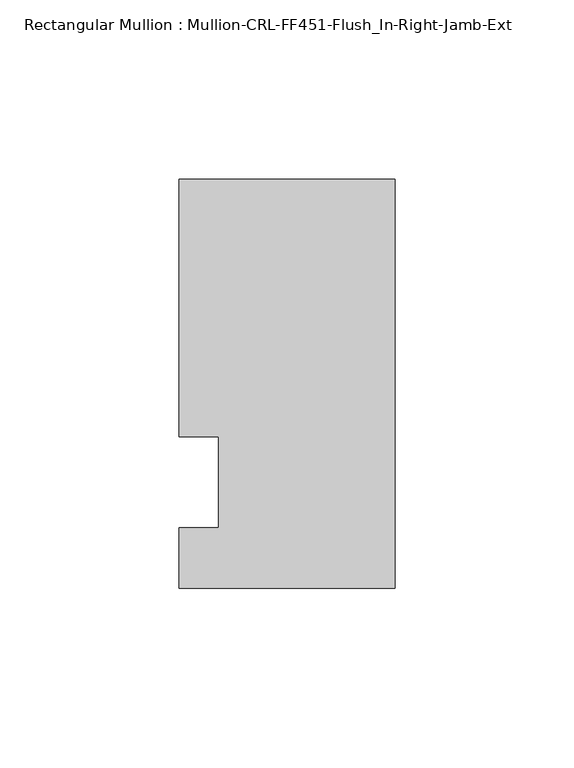
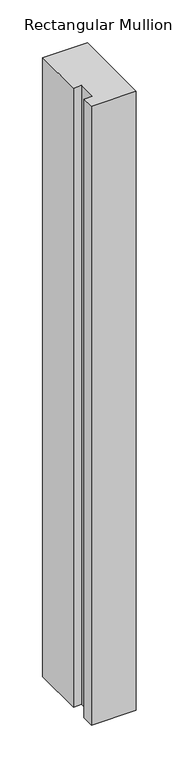
"""IFC4 building model written with IfcOpenShell, lengths in millimetres: member geometry, Rectangular Mullion : Mullion-CRL-FF451-Flush_In-Right-Jamb-Ext."""

from ifc_helpers import new_model, si_unit, frame, origin, place, context, project, spatial, polyline, outline, extrude, source, transform, mapped, element, save


def rectangular_mullion_mullion_crl_ff451_flush_in_right_jamb_2341be22(model_context):
    return source(origin(), model_context, "Body", "SweptSolid", [
        extrude(outline(polyline([(-60.362207, 84.6545868), (0.0, 84.6545868), (0.0, -29.6454132), (-60.362207, -29.6454132), (-60.362207, -12.7), (-49.222241, -12.7), (-49.222241, 12.7), (-60.362207, 12.7), (-60.362207, 84.6545868)])), frame((0.0, 0.0, -882.65), z_axis=(0.0, 0.0, 1.0), x_axis=(1.0, 0.0, 0.0)), (0.0, 0.0, 1.0), 882.65),
    ])


if __name__ == "__main__":
    model = new_model("IFC4")
    model_context = context("Model", 3, world=origin())
    ifc_project = project(units=[si_unit("LENGTHUNIT", "METRE", prefix="MILLI")], contexts=[model_context])
    site = spatial("IfcSite", under=ifc_project)
    building = spatial("IfcBuilding", under=site)
    placement = place(None, origin())
    rectangular_mullion_mullion_crl_ff451_flush_in_right_jamb_shape = rectangular_mullion_mullion_crl_ff451_flush_in_right_jamb_2341be22(model_context)
    element("IfcMember", 1, ObjectType="Rectangular Mullion : Mullion-CRL-FF451-Flush_In-Right-Jamb-Ext", at=placement, inside=building, context=model_context, shape_type="MappedRepresentation", body=[
        mapped(rectangular_mullion_mullion_crl_ff451_flush_in_right_jamb_shape, transform((0.0, 0.0, 0.0), x_axis=(1.0, 0.0, 0.0), y_axis=(0.0, 1.0, 0.0), z_axis=(0.0, 0.0, 1.0))),
    ])
    save(model, "model.ifc")
